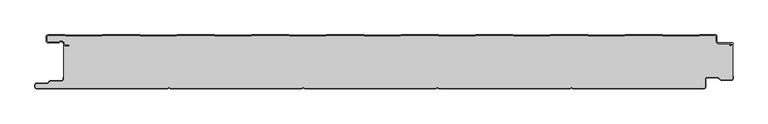
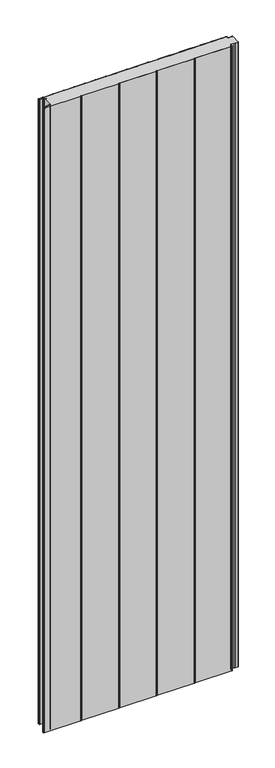
"""IFC4 building model written with IfcOpenShell, lengths in millimetres: plate geometry."""

import ifcopenshell
import ifcopenshell.guid

model = None  # the IFC model being written
_history = None  # IfcOwnerHistory: only IFC2X3 demands one
_inside = {}  # id of a spatial element -> (the spatial element, [elements in it])
_under = {}  # id of a project, library or spatial element -> (it, [spatial elements below it])
_declared = {}  # id of a project -> (the project, [libraries it declares])
_typed = {}  # id of a type object -> (the type object, [elements of that type])
_made_of = {}  # id of a material, layer set ... -> (it, [elements and type objects made of it])


def new_model(schema):
    """Start an empty IFC model of exactly this schema.

    Asked for "IFC4X3", IfcOpenShell would pick the latest addendum, in which some entities
    have other attributes; the version numbers below select the first issue.
    IFC2X3 requires an IfcOwnerHistory on every rooted entity: one is made here for all.
    """
    global model, _history
    if schema == "IFC4X3":
        model = ifcopenshell.file(schema_version=(4, 3, 0, 0))
    else:
        model = ifcopenshell.file(schema=schema)
    _inside.clear()
    _under.clear()
    _declared.clear()
    _typed.clear()
    _made_of.clear()
    _history = None
    if model.schema == "IFC2X3":
        org = make("IfcOrganization", Name="unknown")
        user = make(
            "IfcPersonAndOrganization",
            ThePerson=make("IfcPerson", FamilyName="unknown"),
            TheOrganization=org,
        )
        app = make(
            "IfcApplication",
            ApplicationDeveloper=org,
            Version="unknown",
            ApplicationFullName="unknown",
            ApplicationIdentifier="unknown",
        )
        _history = make(
            "IfcOwnerHistory",
            OwningUser=user,
            OwningApplication=app,
            ChangeAction="ADDED",
            CreationDate=0,
        )
    return model


def make(cls, **values):
    """One entity of the class cls with the attributes given. An attribute that is None is left unset."""
    return model.create_entity(
        cls, **{name: value for name, value in values.items() if value is not None}
    )


def rooted(cls, **values):
    """An entity with a GlobalId (a new one), such as an element, a storey or a relation."""
    return make(cls, GlobalId=ifcopenshell.guid.new(), OwnerHistory=_history, **values)


def si_unit(unit_type, name, prefix=None):
    """IfcSIUnit, for example si_unit("LENGTHUNIT", "METRE", prefix="MILLI")."""
    return make("IfcSIUnit", UnitType=unit_type, Prefix=prefix, Name=name)


def assignment(units):
    """IfcUnitAssignment: the units of a project."""
    return None if units is None else make("IfcUnitAssignment", Units=units)


def point(xyz):
    """IfcCartesianPoint."""
    return None if xyz is None else make("IfcCartesianPoint", Coordinates=xyz)


def direction(xyz):
    """IfcDirection."""
    return None if xyz is None else make("IfcDirection", DirectionRatios=xyz)


def frame(location, z_axis=None, x_axis=None):
    """IfcAxis2Placement3D, a coordinate frame: its origin and axes. An axis left out is left unset."""
    return make(
        "IfcAxis2Placement3D",
        Location=point(location),
        Axis=direction(z_axis),
        RefDirection=direction(x_axis),
    )


def frame_2d(location, x_axis=None):
    """IfcAxis2Placement2D, a coordinate frame in the plane: its origin and x axis."""
    return make(
        "IfcAxis2Placement2D", Location=point(location), RefDirection=direction(x_axis)
    )


def origin():
    """The frame at (0, 0, 0) with its axes left unset."""
    return frame((0.0, 0.0, 0.0))


def origin_with_axes():
    """The frame at (0, 0, 0) with the z axis (0, 0, 1) and the x axis (1, 0, 0) written out."""
    return frame((0.0, 0.0, 0.0), z_axis=(0.0, 0.0, 1.0), x_axis=(1.0, 0.0, 0.0))


def place(relative_to, where):
    """IfcLocalPlacement: puts the frame where relative to a parent placement (None: the world)."""
    return make(
        "IfcLocalPlacement", PlacementRelTo=relative_to, RelativePlacement=where
    )


def context(
    kind, dimensions, precision=None, world=None, true_north=None, identifier=None
):
    """IfcGeometricRepresentationContext, for example the 3D "Model" context."""
    return make(
        "IfcGeometricRepresentationContext",
        ContextIdentifier=identifier,
        ContextType=kind,
        CoordinateSpaceDimension=dimensions,
        Precision=precision,
        WorldCoordinateSystem=world,
        TrueNorth=true_north,
    )


def project(units=None, contexts=None):
    """IfcProject with its units and contexts."""
    return rooted(
        "IfcProject",
        Name="project",
        RepresentationContexts=contexts,
        UnitsInContext=assignment(units),
    )


def spatial(cls, under=None, at=None, **own):
    """A site, building, storey or space (cls), placed at a placement, below another one or the project."""
    s = rooted(cls, ObjectPlacement=at, **own)
    if under is not None:
        _under.setdefault(under.id(), (under, []))[1].append(s)
    return s


def polyline(points):
    """IfcPolyline through the points."""
    return make("IfcPolyline", Points=[point(p) for p in points])


def circle_curve(where, radius):
    """IfcCircle in the frame where."""
    return make("IfcCircle", Position=where, Radius=radius)


def trimmed(basis, trim1, trim2, sense, master):
    """IfcTrimmedCurve: the piece of a basis curve between two trims."""
    return make(
        "IfcTrimmedCurve",
        BasisCurve=basis,
        Trim1=trim1,
        Trim2=trim2,
        SenseAgreement=sense,
        MasterRepresentation=master,
    )


def segment(curve, same_sense, transition):
    """IfcCompositeCurveSegment."""
    return make(
        "IfcCompositeCurveSegment",
        Transition=transition,
        SameSense=same_sense,
        ParentCurve=curve,
    )


def composite_curve(segments, self_intersect=None):
    """IfcCompositeCurve: segments joined end to end."""
    return make("IfcCompositeCurve", Segments=segments, SelfIntersect=self_intersect)


def outline(outer, holes=None, kind="AREA"):
    """IfcArbitraryClosedProfileDef: a profile drawn as a closed curve; with holes, ...WithVoids."""
    if holes is None:
        return make("IfcArbitraryClosedProfileDef", ProfileType=kind, OuterCurve=outer)
    return make(
        "IfcArbitraryProfileDefWithVoids",
        ProfileType=kind,
        OuterCurve=outer,
        InnerCurves=holes,
    )


def extrude(swept, where, along, depth):
    """IfcExtrudedAreaSolid: the profile swept, set in the frame where, extruded along a direction by depth."""
    return make(
        "IfcExtrudedAreaSolid",
        SweptArea=swept,
        Position=where,
        ExtrudedDirection=direction(along),
        Depth=depth,
    )


def shape(context_of_items, identifier, shape_type, items):
    """IfcShapeRepresentation: the items that make up one representation, for example the "Body"."""
    return make(
        "IfcShapeRepresentation",
        ContextOfItems=context_of_items,
        RepresentationIdentifier=identifier,
        RepresentationType=shape_type,
        Items=items,
    )


def source(mapping_origin, context_of_items, identifier, shape_type, items):
    """IfcRepresentationMap: a shape defined once, which mapped items show again and again."""
    return make(
        "IfcRepresentationMap",
        MappingOrigin=mapping_origin,
        MappedRepresentation=shape(context_of_items, identifier, shape_type, items),
    )


def transform(
    local_origin,
    x_axis=None,
    y_axis=None,
    z_axis=None,
    scale=None,
    scale2=None,
    scale3=None,
    uniform=True,
):
    """IfcCartesianTransformationOperator3D, or its non-uniform kind. x_axis, y_axis, z_axis: its Axis1, 2, 3."""
    if uniform:
        return make(
            "IfcCartesianTransformationOperator3D",
            Axis1=direction(x_axis),
            Axis2=direction(y_axis),
            LocalOrigin=point(local_origin),
            Scale=scale,
            Axis3=direction(z_axis),
        )
    return make(
        "IfcCartesianTransformationOperator3DnonUniform",
        Axis1=direction(x_axis),
        Axis2=direction(y_axis),
        LocalOrigin=point(local_origin),
        Scale=scale,
        Axis3=direction(z_axis),
        Scale2=scale2,
        Scale3=scale3,
    )


def mapped(mapping_source, mapping_target):
    """IfcMappedItem: shows the shape of a source again, moved by a transform."""
    return make(
        "IfcMappedItem", MappingSource=mapping_source, MappingTarget=mapping_target
    )


def made_of(thing, what):
    """Note that an element or type object is made of a material, layer set ...; save() writes the relation."""
    if what is not None:
        _made_of.setdefault(what.id(), (what, []))[1].append(thing)
    return thing


def element(
    cls,
    number,
    at=None,
    inside=None,
    cuts=None,
    type_object=None,
    material=None,
    context=None,
    identifier="Body",
    shape_type=None,
    held_by="IfcProductDefinitionShape",
    body=None,
    shapes=None,
    **own,
):
    """One element of the class cls, such as IfcWall. Its Tag is "e" and its number.

    at: its placement. inside: the storey or other place that contains it. cuts: it is an
    opening in that element (IfcRelVoidsElement). A single representation is given by context,
    identifier, shape_type and body (its items); several are given by shapes. held_by: the class
    of the entity that holds the representations. save() writes the other relations.
    """
    e = rooted(cls, Tag="e%d" % number, ObjectPlacement=at, **own)
    if body is not None:
        shapes = [shape(context, identifier, shape_type, body)]
    if shapes is not None:
        e.Representation = make(held_by, Representations=shapes)
    if inside is not None:
        _inside.setdefault(inside.id(), (inside, []))[1].append(e)
    if cuts is not None:
        rooted(
            "IfcRelVoidsElement", RelatingBuildingElement=cuts, RelatedOpeningElement=e
        )
    if type_object is not None:
        _typed.setdefault(type_object.id(), (type_object, []))[1].append(e)
    return made_of(e, material)


def aggregate(whole, parts):
    """IfcRelAggregates: a whole, such as a stair, and the parts it consists of."""
    return rooted("IfcRelAggregates", RelatingObject=whole, RelatedObjects=parts)


def save(model, path):
    """Write the relations noted so far, then the file.

    IfcRelAggregates (storeys below a building ...), IfcRelContainedInSpatialStructure (elements
    in a storey), IfcRelDefinesByType, IfcRelAssociatesMaterial and IfcRelDeclares: one each for
    every whole, place, type object, material and project.
    """
    for whole, parts in _under.values():
        aggregate(whole, parts)
    for where, things in _inside.values():
        rooted(
            "IfcRelContainedInSpatialStructure",
            RelatedElements=things,
            RelatingStructure=where,
        )
    for kind, things in _typed.values():
        rooted("IfcRelDefinesByType", RelatedObjects=things, RelatingType=kind)
    for what, things in _made_of.values():
        rooted("IfcRelAssociatesMaterial", RelatedObjects=things, RelatingMaterial=what)
    for by, libraries in _declared.values():
        rooted("IfcRelDeclares", RelatingContext=by, RelatedDefinitions=libraries)
    model.write(path)


def plate_1c95ee54(model_context):
    return source(origin(), model_context, "Body", "SweptSolid", [
        extrude(outline(composite_curve([segment(trimmed(circle_curve(frame_2d((-497.49499, -9.0180361)), 2.50501), [point((-497.49499, -11.5230461))], [point((-500.0, -9.0180361))], False, "CARTESIAN"), True, "CONTINUOUS"), segment(polyline([(-500.0, -9.0180361), (-500.0, -2.50501)]), True, "CONTINUOUS"), segment(trimmed(circle_curve(frame_2d((-497.49499, -2.50501)), 2.50501), [point((-500.0, -2.50501))], [point((-497.49499, 0.0))], False, "CARTESIAN"), True, "CONTINUOUS"), segment(polyline([(-497.49499, 0.0), (-472.2103007, 0.0), (-471.028188, -0.6012024), (-417.6391467, -0.6012024), (-416.457034, 0.0), (-360.8776353, 0.0), (-359.6955227, -0.6012024), (-306.3064814, -0.6012024), (-305.1243687, 0.0), (-249.54497, 0.0), (-248.3628573, -0.6012024), (-194.973816, -0.6012024), (-193.7917033, 0.0), (-138.2123047, 0.0), (-137.030192, -0.6012024), (-83.6411507, -0.6012024), (-82.459038, 0.0), (-26.8796393, 0.0), (-25.6975267, -0.6012024), (27.6915146, -0.6012024), (28.8736273, 0.0), (84.453026, 0.0), (85.6351387, -0.6012024), (139.02418, -0.6012024), (140.2062927, 0.0), (195.7856913, 0.0), (196.967804, -0.6012024), (250.3568453, -0.6012024), (251.538958, 0.0), (307.1183566, 0.0), (308.3004693, -0.6012024), (361.6895106, -0.6012024), (362.8716233, 0.0), (418.451022, 0.0), (419.6331347, -0.6012024), (473.022176, -0.6012024), (474.2042886, 0.0), (497.49499, 0.0)]), True, "CONTINUOUS"), segment(trimmed(circle_curve(frame_2d((497.49499, -2.50501)), 2.50501), [point((497.49499, 0.0))], [point((500.0, -2.50501))], False, "CARTESIAN"), True, "CONTINUOUS"), segment(polyline([(500.0, -2.50501), (500.0, -10.0200401)]), True, "CONTINUOUS"), segment(trimmed(circle_curve(frame_2d((502.004008, -10.0200401)), 2.004008), [point((500.0, -10.0200401))], [point((502.004008, -12.0240481))], True, "CARTESIAN"), True, "CONTINUOUS"), segment(polyline([(502.004008, -12.0240481), (522.96027, -12.0240481)]), True, "CONTINUOUS"), segment(trimmed(circle_curve(frame_2d((522.96027, -13.0490481)), 1.025), [point((522.96027, -12.0240481))], [point((523.47277, -13.9367241))], False, "CARTESIAN"), True, "CONTINUOUS"), segment(polyline([(523.47277, -13.9367241), (519.5390782, -16.2078422), (519.1390782, -15.5150218), (522.183956, -13.7570608)]), True, "CONTINUOUS"), segment(trimmed(circle_curve(frame_2d((521.933956, -13.3240481)), 0.5), [point((522.183956, -13.7570608))], [point((521.933956, -12.8240481))], True, "CARTESIAN"), True, "CONTINUOUS"), segment(polyline([(521.933956, -12.8240481), (502.004008, -12.8240481)]), True, "CONTINUOUS"), segment(trimmed(circle_curve(frame_2d((502.004008, -10.0200401)), 2.804008), [point((502.004008, -12.8240481))], [point((499.2, -10.0200401))], False, "CARTESIAN"), True, "CONTINUOUS"), segment(polyline([(499.2, -10.0200401), (499.2, -2.50501)]), True, "CONTINUOUS"), segment(trimmed(circle_curve(frame_2d((497.49499, -2.50501)), 1.70501), [point((499.2, -2.50501))], [point((497.49499, -0.8))], True, "CARTESIAN"), True, "CONTINUOUS"), segment(polyline([(497.49499, -0.8), (474.396035, -0.8), (473.2139223, -1.4012024), (419.4413883, -1.4012024), (418.2592756, -0.8), (363.0633697, -0.8), (361.881257, -1.4012024), (308.108723, -1.4012024), (306.9266103, -0.8), (251.7307044, -0.8), (250.5485917, -1.4012024), (196.7760576, -1.4012024), (195.5939449, -0.8), (140.398039, -0.8), (139.2159263, -1.4012024), (85.4433923, -1.4012024), (84.2612796, -0.8), (29.0653737, -0.8), (27.883261, -1.4012024), (-25.889273, -1.4012024), (-27.0713857, -0.8), (-82.2672916, -0.8), (-83.4494043, -1.4012024), (-137.2219384, -1.4012024), (-138.4040511, -0.8), (-193.599957, -0.8), (-194.7820696, -1.4012024), (-248.5546037, -1.4012024), (-249.7367164, -0.8), (-304.9326223, -0.8), (-306.114735, -1.4012024), (-359.887269, -1.4012024), (-361.0693817, -0.8), (-416.2652876, -0.8), (-417.4474003, -1.4012024), (-471.2199344, -1.4012024), (-472.4020471, -0.8), (-497.49499, -0.8)]), True, "CONTINUOUS"), segment(trimmed(circle_curve(frame_2d((-497.49499, -2.50501)), 1.70501), [point((-497.49499, -0.8))], [point((-499.2, -2.50501))], True, "CARTESIAN"), True, "CONTINUOUS"), segment(polyline([(-499.2, -2.50501), (-499.2, -9.0180361)]), True, "CONTINUOUS"), segment(trimmed(circle_curve(frame_2d((-497.49499, -9.0180361)), 1.70501), [point((-499.2, -9.0180361))], [point((-497.49499, -10.7230461))], True, "CARTESIAN"), True, "CONTINUOUS"), segment(polyline([(-497.49499, -10.7230461), (-481.8173283, -10.7230461)]), True, "CONTINUOUS"), segment(trimmed(circle_curve(frame_2d((-481.8173283, -9.0180361)), 1.70501), [point((-481.8173283, -10.7230461))], [point((-480.6895701, -10.2967936))], True, "CARTESIAN"), True, "CONTINUOUS"), segment(trimmed(circle_curve(frame_2d((-477.8407481, -13.5270541)), 4.307014), [point((-480.6895701, -10.2967936))], [point((-473.7934788, -12.0539686))], False, "CARTESIAN"), True, "CONTINUOUS"), segment(polyline([(-473.7934788, -12.0539686), (-473.0450711, -14.1102019)]), True, "CONTINUOUS"), segment(trimmed(circle_curve(frame_2d((-471.4428858, -13.5270541)), 1.70501), [point((-473.0450711, -14.1102019))], [point((-471.4428858, -15.2320641))], True, "CARTESIAN"), True, "CONTINUOUS"), segment(polyline([(-471.4428858, -15.2320641), (-466.4328657, -15.2320641), (-466.4328657, -16.0320641), (-471.4428858, -16.0320641)]), True, "CONTINUOUS"), segment(trimmed(circle_curve(frame_2d((-471.4428858, -13.5270541)), 2.50501), [point((-471.4428858, -16.0320641))], [point((-473.7968252, -14.383818))], False, "CARTESIAN"), True, "CONTINUOUS"), segment(polyline([(-473.7968252, -14.383818), (-474.5452329, -12.3275847)]), True, "CONTINUOUS"), segment(trimmed(circle_curve(frame_2d((-477.8407481, -13.5270541)), 3.507014), [point((-474.5452329, -12.3275847))], [point((-480.1604199, -10.8967936))], True, "CARTESIAN"), True, "CONTINUOUS"), segment(trimmed(circle_curve(frame_2d((-481.8173283, -9.0180361)), 2.50501), [point((-480.1604199, -10.8967936))], [point((-481.8173283, -11.5230461))], False, "CARTESIAN"), True, "CONTINUOUS"), segment(polyline([(-481.8173283, -11.5230461), (-497.49499, -11.5230461)]), True, "CONTINUOUS")], self_intersect=False)), origin_with_axes(), (0.0, 0.0, 1.0), 3500.0),
        extrude(outline(composite_curve([segment(polyline([(523.2, -12.8240481), (523.2, -65.25)]), True, "CONTINUOUS"), segment(trimmed(circle_curve(frame_2d((521.5, -65.25)), 1.7), [point((523.2, -65.25))], [point((521.5, -66.95))], False, "CARTESIAN"), True, "CONTINUOUS"), segment(polyline([(521.5, -66.95), (505.8492873, -66.95), (501.7886271, -63.2), (485.0, -63.2)]), True, "CONTINUOUS"), segment(trimmed(circle_curve(frame_2d((485.0, -66.0)), 2.8), [point((485.0, -63.2))], [point((482.2, -66.0))], True, "CARTESIAN"), True, "CONTINUOUS"), segment(polyline([(482.2, -66.0), (482.2, -77.5)]), True, "CONTINUOUS"), segment(trimmed(circle_curve(frame_2d((480.5, -77.5)), 1.7), [point((482.2, -77.5))], [point((480.5, -79.2))], False, "CARTESIAN"), True, "CONTINUOUS"), segment(polyline([(480.5, -79.2), (285.5, -79.2)]), True, "CONTINUOUS"), segment(trimmed(circle_curve(frame_2d((285.5, -77.5)), 1.7), [point((285.5, -79.2))], [point((284.0845596, -78.4415563))], False, "CARTESIAN"), True, "CONTINUOUS"), segment(trimmed(circle_curve(frame_2d((283.0, -79.1630095)), 1.302599), [point((284.0845596, -78.4415563))], [point((281.9154404, -78.4415563))], True, "CARTESIAN"), True, "CONTINUOUS"), segment(trimmed(circle_curve(frame_2d((280.5, -77.5)), 1.7), [point((281.9154404, -78.4415563))], [point((280.5, -79.2))], False, "CARTESIAN"), True, "CONTINUOUS"), segment(polyline([(280.5, -79.2), (85.5, -79.2)]), True, "CONTINUOUS"), segment(trimmed(circle_curve(frame_2d((85.5, -77.5)), 1.7), [point((85.5, -79.2))], [point((84.0845596, -78.4415563))], False, "CARTESIAN"), True, "CONTINUOUS"), segment(trimmed(circle_curve(frame_2d((83.0, -79.1630095)), 1.302599), [point((84.0845596, -78.4415563))], [point((81.9154404, -78.4415563))], True, "CARTESIAN"), True, "CONTINUOUS"), segment(trimmed(circle_curve(frame_2d((80.5, -77.5)), 1.7), [point((81.9154404, -78.4415563))], [point((80.5, -79.2))], False, "CARTESIAN"), True, "CONTINUOUS"), segment(polyline([(80.5, -79.2), (-114.5, -79.2)]), True, "CONTINUOUS"), segment(trimmed(circle_curve(frame_2d((-114.5, -77.5)), 1.7), [point((-114.5, -79.2))], [point((-115.9154404, -78.4415563))], False, "CARTESIAN"), True, "CONTINUOUS"), segment(trimmed(circle_curve(frame_2d((-117.0, -79.1630095)), 1.302599), [point((-115.9154404, -78.4415563))], [point((-118.0845596, -78.4415563))], True, "CARTESIAN"), True, "CONTINUOUS"), segment(trimmed(circle_curve(frame_2d((-119.5, -77.5)), 1.7), [point((-118.0845596, -78.4415563))], [point((-119.5, -79.2))], False, "CARTESIAN"), True, "CONTINUOUS"), segment(polyline([(-119.5, -79.2), (-314.5, -79.2)]), True, "CONTINUOUS"), segment(trimmed(circle_curve(frame_2d((-314.5, -77.5)), 1.7), [point((-314.5, -79.2))], [point((-315.9154404, -78.4415563))], False, "CARTESIAN"), True, "CONTINUOUS"), segment(trimmed(circle_curve(frame_2d((-317.0, -79.1630095)), 1.302599), [point((-315.9154404, -78.4415563))], [point((-318.0845596, -78.4415563))], True, "CARTESIAN"), True, "CONTINUOUS"), segment(trimmed(circle_curve(frame_2d((-319.5, -77.5)), 1.7), [point((-318.0845596, -78.4415563))], [point((-319.5, -79.2))], False, "CARTESIAN"), True, "CONTINUOUS"), segment(polyline([(-319.5, -79.2), (-514.5, -79.2)]), True, "CONTINUOUS"), segment(trimmed(circle_curve(frame_2d((-514.5, -77.5)), 1.7), [point((-514.5, -79.2))], [point((-516.2, -77.5))], False, "CARTESIAN"), True, "CONTINUOUS"), segment(polyline([(-516.2, -77.5), (-516.2, -74.5)]), True, "CONTINUOUS"), segment(trimmed(circle_curve(frame_2d((-514.5, -74.5)), 1.7), [point((-516.2, -74.5))], [point((-514.5, -72.8))], False, "CARTESIAN"), True, "CONTINUOUS"), segment(polyline([(-514.5, -72.8), (-498.1686292, -72.8), (-494.4186292, -69.05), (-477.0, -69.05)]), True, "CONTINUOUS"), segment(trimmed(circle_curve(frame_2d((-477.0, -66.25)), 2.8), [point((-477.0, -69.05))], [point((-474.2, -66.25))], True, "CARTESIAN"), True, "CONTINUOUS"), segment(polyline([(-474.2, -66.25), (-474.2, -11.2258973)]), True, "CONTINUOUS"), segment(trimmed(circle_curve(frame_2d((-477.8407481, -13.5270541)), 4.307014), [point((-474.2, -11.2258973))], [point((-480.6895701, -10.2967936))], True, "CARTESIAN"), True, "CONTINUOUS"), segment(trimmed(circle_curve(frame_2d((-481.8173283, -9.0180361)), 1.70501), [point((-480.6895701, -10.2967936))], [point((-481.8173283, -10.7230461))], False, "CARTESIAN"), True, "CONTINUOUS"), segment(polyline([(-481.8173283, -10.7230461), (-497.49499, -10.7230461)]), True, "CONTINUOUS"), segment(trimmed(circle_curve(frame_2d((-497.49499, -9.0180361)), 1.70501), [point((-497.49499, -10.7230461))], [point((-499.2, -9.0180361))], False, "CARTESIAN"), True, "CONTINUOUS"), segment(polyline([(-499.2, -9.0180361), (-499.2, -2.50501)]), True, "CONTINUOUS"), segment(trimmed(circle_curve(frame_2d((-497.49499, -2.50501)), 1.70501), [point((-499.2, -2.50501))], [point((-497.49499, -0.8))], False, "CARTESIAN"), True, "CONTINUOUS"), segment(polyline([(-497.49499, -0.8), (-472.4020471, -0.8), (-471.2199344, -1.4012024), (-417.4474003, -1.4012024), (-416.2652876, -0.8), (-361.0693817, -0.8), (-359.887269, -1.4012024), (-306.114735, -1.4012024), (-304.9326223, -0.8), (-249.7367164, -0.8), (-248.5546037, -1.4012024), (-194.7820696, -1.4012024), (-193.599957, -0.8), (-138.4040511, -0.8), (-137.2219384, -1.4012024), (-83.4494043, -1.4012024), (-82.2672916, -0.8), (-27.0713857, -0.8), (-25.889273, -1.4012024), (27.883261, -1.4012024), (29.0653737, -0.8), (84.2612796, -0.8), (85.4433923, -1.4012024), (139.2159263, -1.4012024), (140.398039, -0.8), (195.5939449, -0.8), (196.7760576, -1.4012024), (250.5485917, -1.4012024), (251.7307044, -0.8), (306.9266103, -0.8), (308.108723, -1.4012024), (361.881257, -1.4012024), (363.0633697, -0.8), (418.2592756, -0.8), (419.4413883, -1.4012024), (473.2139223, -1.4012024), (474.396035, -0.8), (497.49499, -0.8)]), True, "CONTINUOUS"), segment(trimmed(circle_curve(frame_2d((497.49499, -2.50501)), 1.70501), [point((497.49499, -0.8))], [point((499.2, -2.50501))], False, "CARTESIAN"), True, "CONTINUOUS"), segment(polyline([(499.2, -2.50501), (499.2, -10.0200401)]), True, "CONTINUOUS"), segment(trimmed(circle_curve(frame_2d((502.004008, -10.0200401)), 2.804008), [point((499.2, -10.0200401))], [point((502.004008, -12.8240481))], True, "CARTESIAN"), True, "CONTINUOUS"), segment(polyline([(502.004008, -12.8240481), (523.2, -12.8240481)]), True, "CONTINUOUS")], self_intersect=False)), origin_with_axes(), (0.0, 0.0, 1.0), 3500.0),
        extrude(outline(composite_curve([segment(polyline([(-319.5, -80.0), (-514.5, -80.0)]), True, "CONTINUOUS"), segment(trimmed(circle_curve(frame_2d((-514.5, -77.5)), 2.5), [point((-514.5, -80.0))], [point((-517.0, -77.5))], False, "CARTESIAN"), True, "CONTINUOUS"), segment(polyline([(-517.0, -77.5), (-517.0, -74.5)]), True, "CONTINUOUS"), segment(trimmed(circle_curve(frame_2d((-514.5, -74.5)), 2.5), [point((-517.0, -74.5))], [point((-514.5, -72.0))], False, "CARTESIAN"), True, "CONTINUOUS"), segment(polyline([(-514.5, -72.0), (-498.5, -72.0), (-494.75, -68.25), (-477.0, -68.25)]), True, "CONTINUOUS"), segment(trimmed(circle_curve(frame_2d((-477.0, -66.25)), 2.0), [point((-477.0, -68.25))], [point((-475.0, -66.25))], True, "CARTESIAN"), True, "CONTINUOUS"), segment(polyline([(-475.0, -66.25), (-475.0, -63.25), (-474.2, -63.25), (-474.2, -66.25)]), True, "CONTINUOUS"), segment(trimmed(circle_curve(frame_2d((-477.0, -66.25)), 2.8), [point((-474.2, -66.25))], [point((-477.0, -69.05))], False, "CARTESIAN"), True, "CONTINUOUS"), segment(polyline([(-477.0, -69.05), (-494.4186292, -69.05), (-498.1686292, -72.8), (-514.5, -72.8)]), True, "CONTINUOUS"), segment(trimmed(circle_curve(frame_2d((-514.5, -74.5)), 1.7), [point((-514.5, -72.8))], [point((-516.2, -74.5))], True, "CARTESIAN"), True, "CONTINUOUS"), segment(polyline([(-516.2, -74.5), (-516.2, -77.5)]), True, "CONTINUOUS"), segment(trimmed(circle_curve(frame_2d((-514.5, -77.5)), 1.7), [point((-516.2, -77.5))], [point((-514.5, -79.2))], True, "CARTESIAN"), True, "CONTINUOUS"), segment(polyline([(-514.5, -79.2), (-319.5, -79.2)]), True, "CONTINUOUS"), segment(trimmed(circle_curve(frame_2d((-319.5, -77.5)), 1.7), [point((-319.5, -79.2))], [point((-318.0845596, -78.4415563))], True, "CARTESIAN"), True, "CONTINUOUS"), segment(trimmed(circle_curve(frame_2d((-317.0, -79.1630095)), 1.302599), [point((-318.0845596, -78.4415563))], [point((-315.9154404, -78.4415563))], False, "CARTESIAN"), True, "CONTINUOUS"), segment(trimmed(circle_curve(frame_2d((-314.5, -77.5)), 1.7), [point((-315.9154404, -78.4415563))], [point((-314.5, -79.2))], True, "CARTESIAN"), True, "CONTINUOUS"), segment(polyline([(-314.5, -79.2), (-119.5, -79.2)]), True, "CONTINUOUS"), segment(trimmed(circle_curve(frame_2d((-119.5, -77.5)), 1.7), [point((-119.5, -79.2))], [point((-118.0845596, -78.4415563))], True, "CARTESIAN"), True, "CONTINUOUS"), segment(trimmed(circle_curve(frame_2d((-117.0, -79.1630095)), 1.302599), [point((-118.0845596, -78.4415563))], [point((-115.9154404, -78.4415563))], False, "CARTESIAN"), True, "CONTINUOUS"), segment(trimmed(circle_curve(frame_2d((-114.5, -77.5)), 1.7), [point((-115.9154404, -78.4415563))], [point((-114.5, -79.2))], True, "CARTESIAN"), True, "CONTINUOUS"), segment(polyline([(-114.5, -79.2), (80.5, -79.2)]), True, "CONTINUOUS"), segment(trimmed(circle_curve(frame_2d((80.5, -77.5)), 1.7), [point((80.5, -79.2))], [point((81.9154404, -78.4415563))], True, "CARTESIAN"), True, "CONTINUOUS"), segment(trimmed(circle_curve(frame_2d((83.0, -79.1630095)), 1.302599), [point((81.9154404, -78.4415563))], [point((84.0845596, -78.4415563))], False, "CARTESIAN"), True, "CONTINUOUS"), segment(trimmed(circle_curve(frame_2d((85.5, -77.5)), 1.7), [point((84.0845596, -78.4415563))], [point((85.5, -79.2))], True, "CARTESIAN"), True, "CONTINUOUS"), segment(polyline([(85.5, -79.2), (280.5, -79.2)]), True, "CONTINUOUS"), segment(trimmed(circle_curve(frame_2d((280.5, -77.5)), 1.7), [point((280.5, -79.2))], [point((281.9154404, -78.4415563))], True, "CARTESIAN"), True, "CONTINUOUS"), segment(trimmed(circle_curve(frame_2d((283.0, -79.1630095)), 1.302599), [point((281.9154404, -78.4415563))], [point((284.0845596, -78.4415563))], False, "CARTESIAN"), True, "CONTINUOUS"), segment(trimmed(circle_curve(frame_2d((285.5, -77.5)), 1.7), [point((284.0845596, -78.4415563))], [point((285.5, -79.2))], True, "CARTESIAN"), True, "CONTINUOUS"), segment(polyline([(285.5, -79.2), (480.5, -79.2)]), True, "CONTINUOUS"), segment(trimmed(circle_curve(frame_2d((480.5, -77.5)), 1.7), [point((480.5, -79.2))], [point((482.2, -77.5))], True, "CARTESIAN"), True, "CONTINUOUS"), segment(polyline([(482.2, -77.5), (482.2, -66.0)]), True, "CONTINUOUS"), segment(trimmed(circle_curve(frame_2d((485.0, -66.0)), 2.8), [point((482.2, -66.0))], [point((485.0, -63.2))], False, "CARTESIAN"), True, "CONTINUOUS"), segment(polyline([(485.0, -63.2), (501.7886271, -63.2), (505.8492873, -66.95), (521.5, -66.95)]), True, "CONTINUOUS"), segment(trimmed(circle_curve(frame_2d((521.5, -65.25)), 1.7), [point((521.5, -66.95))], [point((523.2, -65.25))], True, "CARTESIAN"), True, "CONTINUOUS"), segment(polyline([(523.2, -65.25), (523.2, -61.75), (524.0, -61.75), (524.0, -65.25)]), True, "CONTINUOUS"), segment(trimmed(circle_curve(frame_2d((521.5, -65.25)), 2.5), [point((524.0, -65.25))], [point((521.5, -67.75))], False, "CARTESIAN"), True, "CONTINUOUS"), segment(polyline([(521.5, -67.75), (505.5363961, -67.75), (501.4757359, -64.0), (485.0, -64.0)]), True, "CONTINUOUS"), segment(trimmed(circle_curve(frame_2d((485.0, -66.0)), 2.0), [point((485.0, -64.0))], [point((483.0, -66.0))], True, "CARTESIAN"), True, "CONTINUOUS"), segment(polyline([(483.0, -66.0), (483.0, -77.5)]), True, "CONTINUOUS"), segment(trimmed(circle_curve(frame_2d((480.5, -77.5)), 2.5), [point((483.0, -77.5))], [point((480.5, -80.0))], False, "CARTESIAN"), True, "CONTINUOUS"), segment(polyline([(480.5, -80.0), (285.5, -80.0)]), True, "CONTINUOUS"), segment(trimmed(circle_curve(frame_2d((285.5, -77.5)), 2.5), [point((285.5, -80.0))], [point((283.4184699, -78.8846417))], False, "CARTESIAN"), True, "CONTINUOUS"), segment(trimmed(circle_curve(frame_2d((283.0, -79.1630095)), 0.502599), [point((283.4184699, -78.8846417))], [point((282.5815301, -78.8846417))], True, "CARTESIAN"), True, "CONTINUOUS"), segment(trimmed(circle_curve(frame_2d((280.5, -77.5)), 2.5), [point((282.5815301, -78.8846417))], [point((280.5, -80.0))], False, "CARTESIAN"), True, "CONTINUOUS"), segment(polyline([(280.5, -80.0), (85.5, -80.0)]), True, "CONTINUOUS"), segment(trimmed(circle_curve(frame_2d((85.5, -77.5)), 2.5), [point((85.5, -80.0))], [point((83.4184699, -78.8846417))], False, "CARTESIAN"), True, "CONTINUOUS"), segment(trimmed(circle_curve(frame_2d((83.0, -79.1630095)), 0.502599), [point((83.4184699, -78.8846417))], [point((82.5815301, -78.8846417))], True, "CARTESIAN"), True, "CONTINUOUS"), segment(trimmed(circle_curve(frame_2d((80.5, -77.5)), 2.5), [point((82.5815301, -78.8846417))], [point((80.5, -80.0))], False, "CARTESIAN"), True, "CONTINUOUS"), segment(polyline([(80.5, -80.0), (-114.5, -80.0)]), True, "CONTINUOUS"), segment(trimmed(circle_curve(frame_2d((-114.5, -77.5)), 2.5), [point((-114.5, -80.0))], [point((-116.5815301, -78.8846417))], False, "CARTESIAN"), True, "CONTINUOUS"), segment(trimmed(circle_curve(frame_2d((-117.0, -79.1630095)), 0.502599), [point((-116.5815301, -78.8846417))], [point((-117.4184699, -78.8846417))], True, "CARTESIAN"), True, "CONTINUOUS"), segment(trimmed(circle_curve(frame_2d((-119.5, -77.5)), 2.5), [point((-117.4184699, -78.8846417))], [point((-119.5, -80.0))], False, "CARTESIAN"), True, "CONTINUOUS"), segment(polyline([(-119.5, -80.0), (-314.5, -80.0)]), True, "CONTINUOUS"), segment(trimmed(circle_curve(frame_2d((-314.5, -77.5)), 2.5), [point((-314.5, -80.0))], [point((-316.5815301, -78.8846417))], False, "CARTESIAN"), True, "CONTINUOUS"), segment(trimmed(circle_curve(frame_2d((-317.0, -79.1630095)), 0.502599), [point((-316.5815301, -78.8846417))], [point((-317.4184699, -78.8846417))], True, "CARTESIAN"), True, "CONTINUOUS"), segment(trimmed(circle_curve(frame_2d((-319.5, -77.5)), 2.5), [point((-317.4184699, -78.8846417))], [point((-319.5, -80.0))], False, "CARTESIAN"), True, "CONTINUOUS")], self_intersect=False)), origin_with_axes(), (0.0, 0.0, 1.0), 3500.0),
    ])


if __name__ == "__main__":
    model = new_model("IFC4")
    model_context = context("Model", 3, world=origin())
    ifc_project = project(units=[si_unit("LENGTHUNIT", "METRE", prefix="MILLI")], contexts=[model_context])
    site = spatial("IfcSite", under=ifc_project)
    building = spatial("IfcBuilding", under=site)
    placement = place(None, origin())
    plate_shape = plate_1c95ee54(model_context)
    element("IfcPlate", 1, at=placement, inside=building, context=model_context, shape_type="MappedRepresentation", body=[
        mapped(plate_shape, transform((0.0, 0.0, 0.0), x_axis=(1.0, 0.0, 0.0), y_axis=(0.0, 1.0, 0.0), z_axis=(0.0, 0.0, 1.0))),
    ])
    save(model, "model.ifc")
